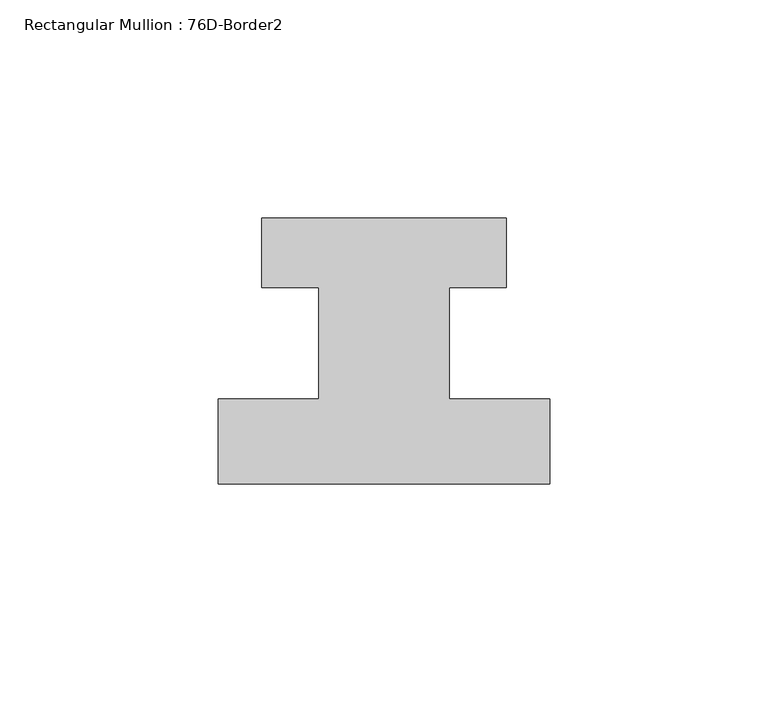
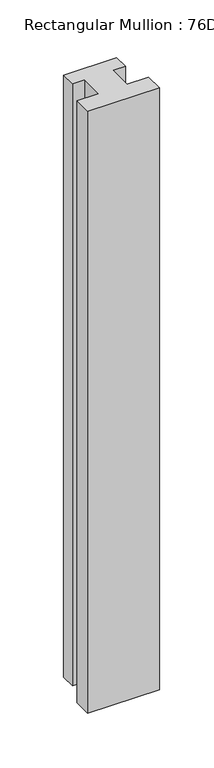
"""IFC4 building model written with IfcOpenShell, lengths in millimetres: member geometry, Rectangular Mullion : 76D-Border2."""

import ifcopenshell
import ifcopenshell.guid

model = None  # the IFC model being written
_history = None  # IfcOwnerHistory: only IFC2X3 demands one
_inside = {}  # id of a spatial element -> (the spatial element, [elements in it])
_under = {}  # id of a project, library or spatial element -> (it, [spatial elements below it])
_declared = {}  # id of a project -> (the project, [libraries it declares])
_typed = {}  # id of a type object -> (the type object, [elements of that type])
_made_of = {}  # id of a material, layer set ... -> (it, [elements and type objects made of it])


def new_model(schema):
    """Start an empty IFC model of exactly this schema.

    Asked for "IFC4X3", IfcOpenShell would pick the latest addendum, in which some entities
    have other attributes; the version numbers below select the first issue.
    IFC2X3 requires an IfcOwnerHistory on every rooted entity: one is made here for all.
    """
    global model, _history
    if schema == "IFC4X3":
        model = ifcopenshell.file(schema_version=(4, 3, 0, 0))
    else:
        model = ifcopenshell.file(schema=schema)
    _inside.clear()
    _under.clear()
    _declared.clear()
    _typed.clear()
    _made_of.clear()
    _history = None
    if model.schema == "IFC2X3":
        org = make("IfcOrganization", Name="unknown")
        user = make(
            "IfcPersonAndOrganization",
            ThePerson=make("IfcPerson", FamilyName="unknown"),
            TheOrganization=org,
        )
        app = make(
            "IfcApplication",
            ApplicationDeveloper=org,
            Version="unknown",
            ApplicationFullName="unknown",
            ApplicationIdentifier="unknown",
        )
        _history = make(
            "IfcOwnerHistory",
            OwningUser=user,
            OwningApplication=app,
            ChangeAction="ADDED",
            CreationDate=0,
        )
    return model


def make(cls, **values):
    """One entity of the class cls with the attributes given. An attribute that is None is left unset."""
    return model.create_entity(
        cls, **{name: value for name, value in values.items() if value is not None}
    )


def rooted(cls, **values):
    """An entity with a GlobalId (a new one), such as an element, a storey or a relation."""
    return make(cls, GlobalId=ifcopenshell.guid.new(), OwnerHistory=_history, **values)


def si_unit(unit_type, name, prefix=None):
    """IfcSIUnit, for example si_unit("LENGTHUNIT", "METRE", prefix="MILLI")."""
    return make("IfcSIUnit", UnitType=unit_type, Prefix=prefix, Name=name)


def assignment(units):
    """IfcUnitAssignment: the units of a project."""
    return None if units is None else make("IfcUnitAssignment", Units=units)


def point(xyz):
    """IfcCartesianPoint."""
    return None if xyz is None else make("IfcCartesianPoint", Coordinates=xyz)


def direction(xyz):
    """IfcDirection."""
    return None if xyz is None else make("IfcDirection", DirectionRatios=xyz)


def frame(location, z_axis=None, x_axis=None):
    """IfcAxis2Placement3D, a coordinate frame: its origin and axes. An axis left out is left unset."""
    return make(
        "IfcAxis2Placement3D",
        Location=point(location),
        Axis=direction(z_axis),
        RefDirection=direction(x_axis),
    )


def origin():
    """The frame at (0, 0, 0) with its axes left unset."""
    return frame((0.0, 0.0, 0.0))


def place(relative_to, where):
    """IfcLocalPlacement: puts the frame where relative to a parent placement (None: the world)."""
    return make(
        "IfcLocalPlacement", PlacementRelTo=relative_to, RelativePlacement=where
    )


def context(
    kind, dimensions, precision=None, world=None, true_north=None, identifier=None
):
    """IfcGeometricRepresentationContext, for example the 3D "Model" context."""
    return make(
        "IfcGeometricRepresentationContext",
        ContextIdentifier=identifier,
        ContextType=kind,
        CoordinateSpaceDimension=dimensions,
        Precision=precision,
        WorldCoordinateSystem=world,
        TrueNorth=true_north,
    )


def project(units=None, contexts=None):
    """IfcProject with its units and contexts."""
    return rooted(
        "IfcProject",
        Name="project",
        RepresentationContexts=contexts,
        UnitsInContext=assignment(units),
    )


def spatial(cls, under=None, at=None, **own):
    """A site, building, storey or space (cls), placed at a placement, below another one or the project."""
    s = rooted(cls, ObjectPlacement=at, **own)
    if under is not None:
        _under.setdefault(under.id(), (under, []))[1].append(s)
    return s


def polyline(points):
    """IfcPolyline through the points."""
    return make("IfcPolyline", Points=[point(p) for p in points])


def outline(outer, holes=None, kind="AREA"):
    """IfcArbitraryClosedProfileDef: a profile drawn as a closed curve; with holes, ...WithVoids."""
    if holes is None:
        return make("IfcArbitraryClosedProfileDef", ProfileType=kind, OuterCurve=outer)
    return make(
        "IfcArbitraryProfileDefWithVoids",
        ProfileType=kind,
        OuterCurve=outer,
        InnerCurves=holes,
    )


def extrude(swept, where, along, depth):
    """IfcExtrudedAreaSolid: the profile swept, set in the frame where, extruded along a direction by depth."""
    return make(
        "IfcExtrudedAreaSolid",
        SweptArea=swept,
        Position=where,
        ExtrudedDirection=direction(along),
        Depth=depth,
    )


def shape(context_of_items, identifier, shape_type, items):
    """IfcShapeRepresentation: the items that make up one representation, for example the "Body"."""
    return make(
        "IfcShapeRepresentation",
        ContextOfItems=context_of_items,
        RepresentationIdentifier=identifier,
        RepresentationType=shape_type,
        Items=items,
    )


def source(mapping_origin, context_of_items, identifier, shape_type, items):
    """IfcRepresentationMap: a shape defined once, which mapped items show again and again."""
    return make(
        "IfcRepresentationMap",
        MappingOrigin=mapping_origin,
        MappedRepresentation=shape(context_of_items, identifier, shape_type, items),
    )


def transform(
    local_origin,
    x_axis=None,
    y_axis=None,
    z_axis=None,
    scale=None,
    scale2=None,
    scale3=None,
    uniform=True,
):
    """IfcCartesianTransformationOperator3D, or its non-uniform kind. x_axis, y_axis, z_axis: its Axis1, 2, 3."""
    if uniform:
        return make(
            "IfcCartesianTransformationOperator3D",
            Axis1=direction(x_axis),
            Axis2=direction(y_axis),
            LocalOrigin=point(local_origin),
            Scale=scale,
            Axis3=direction(z_axis),
        )
    return make(
        "IfcCartesianTransformationOperator3DnonUniform",
        Axis1=direction(x_axis),
        Axis2=direction(y_axis),
        LocalOrigin=point(local_origin),
        Scale=scale,
        Axis3=direction(z_axis),
        Scale2=scale2,
        Scale3=scale3,
    )


def mapped(mapping_source, mapping_target):
    """IfcMappedItem: shows the shape of a source again, moved by a transform."""
    return make(
        "IfcMappedItem", MappingSource=mapping_source, MappingTarget=mapping_target
    )


def made_of(thing, what):
    """Note that an element or type object is made of a material, layer set ...; save() writes the relation."""
    if what is not None:
        _made_of.setdefault(what.id(), (what, []))[1].append(thing)
    return thing


def element(
    cls,
    number,
    at=None,
    inside=None,
    cuts=None,
    type_object=None,
    material=None,
    context=None,
    identifier="Body",
    shape_type=None,
    held_by="IfcProductDefinitionShape",
    body=None,
    shapes=None,
    **own,
):
    """One element of the class cls, such as IfcWall. Its Tag is "e" and its number.

    at: its placement. inside: the storey or other place that contains it. cuts: it is an
    opening in that element (IfcRelVoidsElement). A single representation is given by context,
    identifier, shape_type and body (its items); several are given by shapes. held_by: the class
    of the entity that holds the representations. save() writes the other relations.
    """
    e = rooted(cls, Tag="e%d" % number, ObjectPlacement=at, **own)
    if body is not None:
        shapes = [shape(context, identifier, shape_type, body)]
    if shapes is not None:
        e.Representation = make(held_by, Representations=shapes)
    if inside is not None:
        _inside.setdefault(inside.id(), (inside, []))[1].append(e)
    if cuts is not None:
        rooted(
            "IfcRelVoidsElement", RelatingBuildingElement=cuts, RelatedOpeningElement=e
        )
    if type_object is not None:
        _typed.setdefault(type_object.id(), (type_object, []))[1].append(e)
    return made_of(e, material)


def aggregate(whole, parts):
    """IfcRelAggregates: a whole, such as a stair, and the parts it consists of."""
    return rooted("IfcRelAggregates", RelatingObject=whole, RelatedObjects=parts)


def save(model, path):
    """Write the relations noted so far, then the file.

    IfcRelAggregates (storeys below a building ...), IfcRelContainedInSpatialStructure (elements
    in a storey), IfcRelDefinesByType, IfcRelAssociatesMaterial and IfcRelDeclares: one each for
    every whole, place, type object, material and project.
    """
    for whole, parts in _under.values():
        aggregate(whole, parts)
    for where, things in _inside.values():
        rooted(
            "IfcRelContainedInSpatialStructure",
            RelatedElements=things,
            RelatingStructure=where,
        )
    for kind, things in _typed.values():
        rooted("IfcRelDefinesByType", RelatedObjects=things, RelatingType=kind)
    for what, things in _made_of.values():
        rooted("IfcRelAssociatesMaterial", RelatedObjects=things, RelatingMaterial=what)
    for by, libraries in _declared.values():
        rooted("IfcRelDeclares", RelatingContext=by, RelatedDefinitions=libraries)
    model.write(path)


def rectangular_mullion_76d_border2_df9110ce(model_context):
    return source(origin(), model_context, "Body", "SweptSolid", [
        extrude(outline(polyline([(0.0, -20.0), (-76.0, -20.0), (-76.0, -0.5), (-53.0, -0.5), (-53.0, 25.0), (-66.0, 25.0), (-66.0, 41.0), (-10.0, 41.0), (-10.0, 25.0), (-23.0, 25.0), (-23.0, -0.5), (0.0, -0.5), (0.0, -20.0)])), frame((0.0, 0.0, -674.0), z_axis=(0.0, 0.0, 1.0), x_axis=(1.0, 0.0, 0.0)), (0.0, 0.0, 1.0), 674.0),
    ])


if __name__ == "__main__":
    model = new_model("IFC4")
    model_context = context("Model", 3, world=origin())
    ifc_project = project(units=[si_unit("LENGTHUNIT", "METRE", prefix="MILLI")], contexts=[model_context])
    site = spatial("IfcSite", under=ifc_project)
    building = spatial("IfcBuilding", under=site)
    placement = place(None, origin())
    rectangular_mullion_76d_border2_shape = rectangular_mullion_76d_border2_df9110ce(model_context)
    element("IfcMember", 1, ObjectType="Rectangular Mullion : 76D-Border2", at=placement, inside=building, context=model_context, shape_type="MappedRepresentation", body=[
        mapped(rectangular_mullion_76d_border2_shape, transform((0.0, 0.0, 0.0), x_axis=(1.0, 0.0, 0.0), y_axis=(0.0, 1.0, 0.0), z_axis=(0.0, 0.0, 1.0))),
    ])
    save(model, "model.ifc")
